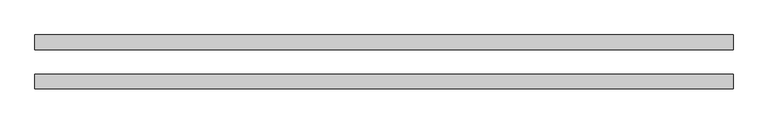
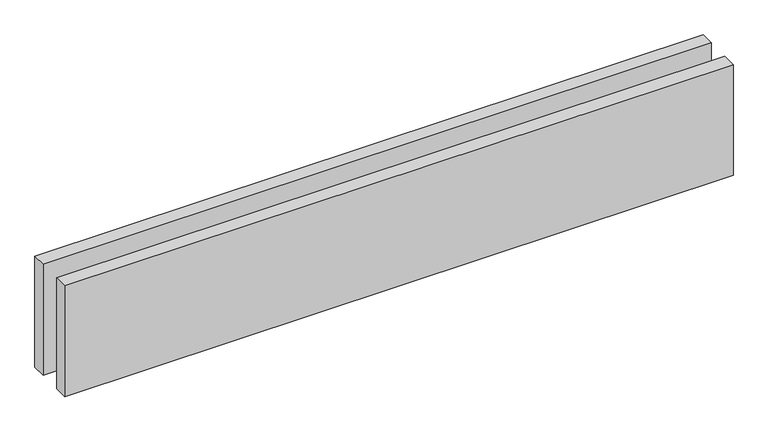
"""IFC4 building model written with IfcOpenShell, lengths in millimetres: proxy geometry."""

from ifc_helpers import new_model, si_unit, origin, origin_with_axes, place, context, project, spatial, polyline, outline, extrude, source, transform, mapped, element, save


def generic_models_6acbb88a(model_context):
    return source(origin(), model_context, "Body", "SweptSolid", [
        extrude(outline(polyline([(1424.2640687, -25.0), (1424.2640687, -55.0), (0.0, -55.0), (0.0, -25.0), (1424.2640687, -25.0)])), origin_with_axes(), (0.0, 0.0, 1.0), 250.0),
        extrude(outline(polyline([(1424.2640687, 55.0), (1424.2640687, 25.0), (0.0, 25.0), (0.0, 55.0), (1424.2640687, 55.0)])), origin_with_axes(), (0.0, 0.0, 1.0), 250.0),
    ])


if __name__ == "__main__":
    model = new_model("IFC4")
    model_context = context("Model", 3, world=origin())
    ifc_project = project(units=[si_unit("LENGTHUNIT", "METRE", prefix="MILLI")], contexts=[model_context])
    site = spatial("IfcSite", under=ifc_project)
    building = spatial("IfcBuilding", under=site)
    placement = place(None, origin())
    generic_models_shape = generic_models_6acbb88a(model_context)
    element("IfcBuildingElementProxy", 1, Name="Generic Models", at=placement, inside=building, context=model_context, shape_type="MappedRepresentation", body=[
        mapped(generic_models_shape, transform((0.0, 0.0, 0.0), x_axis=(1.0, 0.0, 0.0), y_axis=(0.0, 1.0, 0.0), z_axis=(0.0, 0.0, 1.0))),
    ])
    save(model, "model.ifc")
